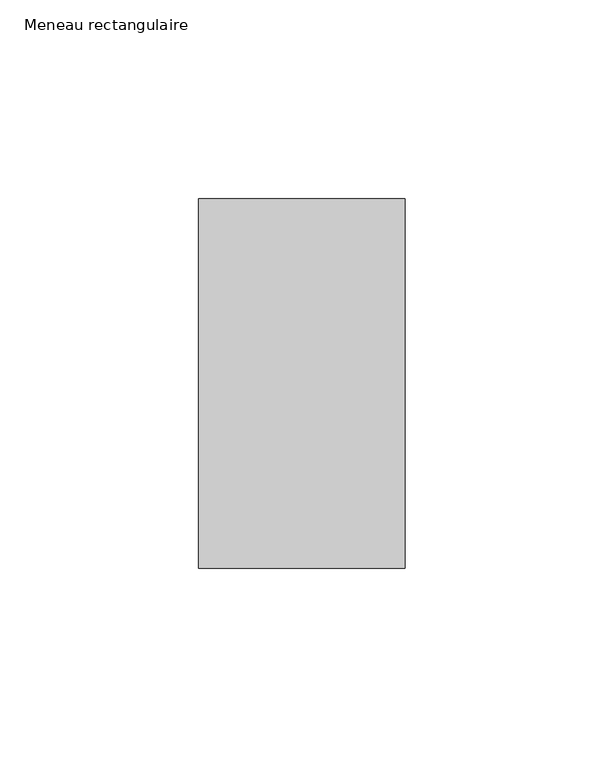
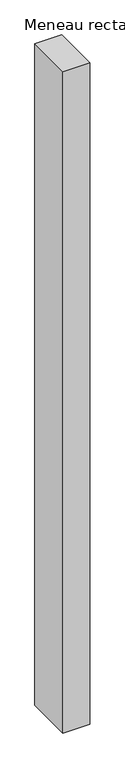
"""IFC4 building model written with IfcOpenShell, lengths in millimetres: member geometry, Meneau rectangulaire."""

import ifcopenshell
import ifcopenshell.guid

model = None  # the IFC model being written
_history = None  # IfcOwnerHistory: only IFC2X3 demands one
_inside = {}  # id of a spatial element -> (the spatial element, [elements in it])
_under = {}  # id of a project, library or spatial element -> (it, [spatial elements below it])
_declared = {}  # id of a project -> (the project, [libraries it declares])
_typed = {}  # id of a type object -> (the type object, [elements of that type])
_made_of = {}  # id of a material, layer set ... -> (it, [elements and type objects made of it])


def new_model(schema):
    """Start an empty IFC model of exactly this schema.

    Asked for "IFC4X3", IfcOpenShell would pick the latest addendum, in which some entities
    have other attributes; the version numbers below select the first issue.
    IFC2X3 requires an IfcOwnerHistory on every rooted entity: one is made here for all.
    """
    global model, _history
    if schema == "IFC4X3":
        model = ifcopenshell.file(schema_version=(4, 3, 0, 0))
    else:
        model = ifcopenshell.file(schema=schema)
    _inside.clear()
    _under.clear()
    _declared.clear()
    _typed.clear()
    _made_of.clear()
    _history = None
    if model.schema == "IFC2X3":
        org = make("IfcOrganization", Name="unknown")
        user = make(
            "IfcPersonAndOrganization",
            ThePerson=make("IfcPerson", FamilyName="unknown"),
            TheOrganization=org,
        )
        app = make(
            "IfcApplication",
            ApplicationDeveloper=org,
            Version="unknown",
            ApplicationFullName="unknown",
            ApplicationIdentifier="unknown",
        )
        _history = make(
            "IfcOwnerHistory",
            OwningUser=user,
            OwningApplication=app,
            ChangeAction="ADDED",
            CreationDate=0,
        )
    return model


def make(cls, **values):
    """One entity of the class cls with the attributes given. An attribute that is None is left unset."""
    return model.create_entity(
        cls, **{name: value for name, value in values.items() if value is not None}
    )


def rooted(cls, **values):
    """An entity with a GlobalId (a new one), such as an element, a storey or a relation."""
    return make(cls, GlobalId=ifcopenshell.guid.new(), OwnerHistory=_history, **values)


def si_unit(unit_type, name, prefix=None):
    """IfcSIUnit, for example si_unit("LENGTHUNIT", "METRE", prefix="MILLI")."""
    return make("IfcSIUnit", UnitType=unit_type, Prefix=prefix, Name=name)


def assignment(units):
    """IfcUnitAssignment: the units of a project."""
    return None if units is None else make("IfcUnitAssignment", Units=units)


def point(xyz):
    """IfcCartesianPoint."""
    return None if xyz is None else make("IfcCartesianPoint", Coordinates=xyz)


def direction(xyz):
    """IfcDirection."""
    return None if xyz is None else make("IfcDirection", DirectionRatios=xyz)


def frame(location, z_axis=None, x_axis=None):
    """IfcAxis2Placement3D, a coordinate frame: its origin and axes. An axis left out is left unset."""
    return make(
        "IfcAxis2Placement3D",
        Location=point(location),
        Axis=direction(z_axis),
        RefDirection=direction(x_axis),
    )


def origin():
    """The frame at (0, 0, 0) with its axes left unset."""
    return frame((0.0, 0.0, 0.0))


def place(relative_to, where):
    """IfcLocalPlacement: puts the frame where relative to a parent placement (None: the world)."""
    return make(
        "IfcLocalPlacement", PlacementRelTo=relative_to, RelativePlacement=where
    )


def context(
    kind, dimensions, precision=None, world=None, true_north=None, identifier=None
):
    """IfcGeometricRepresentationContext, for example the 3D "Model" context."""
    return make(
        "IfcGeometricRepresentationContext",
        ContextIdentifier=identifier,
        ContextType=kind,
        CoordinateSpaceDimension=dimensions,
        Precision=precision,
        WorldCoordinateSystem=world,
        TrueNorth=true_north,
    )


def project(units=None, contexts=None):
    """IfcProject with its units and contexts."""
    return rooted(
        "IfcProject",
        Name="project",
        RepresentationContexts=contexts,
        UnitsInContext=assignment(units),
    )


def spatial(cls, under=None, at=None, **own):
    """A site, building, storey or space (cls), placed at a placement, below another one or the project."""
    s = rooted(cls, ObjectPlacement=at, **own)
    if under is not None:
        _under.setdefault(under.id(), (under, []))[1].append(s)
    return s


def polyline(points):
    """IfcPolyline through the points."""
    return make("IfcPolyline", Points=[point(p) for p in points])


def outline(outer, holes=None, kind="AREA"):
    """IfcArbitraryClosedProfileDef: a profile drawn as a closed curve; with holes, ...WithVoids."""
    if holes is None:
        return make("IfcArbitraryClosedProfileDef", ProfileType=kind, OuterCurve=outer)
    return make(
        "IfcArbitraryProfileDefWithVoids",
        ProfileType=kind,
        OuterCurve=outer,
        InnerCurves=holes,
    )


def extrude(swept, where, along, depth):
    """IfcExtrudedAreaSolid: the profile swept, set in the frame where, extruded along a direction by depth."""
    return make(
        "IfcExtrudedAreaSolid",
        SweptArea=swept,
        Position=where,
        ExtrudedDirection=direction(along),
        Depth=depth,
    )


def shape(context_of_items, identifier, shape_type, items):
    """IfcShapeRepresentation: the items that make up one representation, for example the "Body"."""
    return make(
        "IfcShapeRepresentation",
        ContextOfItems=context_of_items,
        RepresentationIdentifier=identifier,
        RepresentationType=shape_type,
        Items=items,
    )


def source(mapping_origin, context_of_items, identifier, shape_type, items):
    """IfcRepresentationMap: a shape defined once, which mapped items show again and again."""
    return make(
        "IfcRepresentationMap",
        MappingOrigin=mapping_origin,
        MappedRepresentation=shape(context_of_items, identifier, shape_type, items),
    )


def transform(
    local_origin,
    x_axis=None,
    y_axis=None,
    z_axis=None,
    scale=None,
    scale2=None,
    scale3=None,
    uniform=True,
):
    """IfcCartesianTransformationOperator3D, or its non-uniform kind. x_axis, y_axis, z_axis: its Axis1, 2, 3."""
    if uniform:
        return make(
            "IfcCartesianTransformationOperator3D",
            Axis1=direction(x_axis),
            Axis2=direction(y_axis),
            LocalOrigin=point(local_origin),
            Scale=scale,
            Axis3=direction(z_axis),
        )
    return make(
        "IfcCartesianTransformationOperator3DnonUniform",
        Axis1=direction(x_axis),
        Axis2=direction(y_axis),
        LocalOrigin=point(local_origin),
        Scale=scale,
        Axis3=direction(z_axis),
        Scale2=scale2,
        Scale3=scale3,
    )


def mapped(mapping_source, mapping_target):
    """IfcMappedItem: shows the shape of a source again, moved by a transform."""
    return make(
        "IfcMappedItem", MappingSource=mapping_source, MappingTarget=mapping_target
    )


def made_of(thing, what):
    """Note that an element or type object is made of a material, layer set ...; save() writes the relation."""
    if what is not None:
        _made_of.setdefault(what.id(), (what, []))[1].append(thing)
    return thing


def element(
    cls,
    number,
    at=None,
    inside=None,
    cuts=None,
    type_object=None,
    material=None,
    context=None,
    identifier="Body",
    shape_type=None,
    held_by="IfcProductDefinitionShape",
    body=None,
    shapes=None,
    **own,
):
    """One element of the class cls, such as IfcWall. Its Tag is "e" and its number.

    at: its placement. inside: the storey or other place that contains it. cuts: it is an
    opening in that element (IfcRelVoidsElement). A single representation is given by context,
    identifier, shape_type and body (its items); several are given by shapes. held_by: the class
    of the entity that holds the representations. save() writes the other relations.
    """
    e = rooted(cls, Tag="e%d" % number, ObjectPlacement=at, **own)
    if body is not None:
        shapes = [shape(context, identifier, shape_type, body)]
    if shapes is not None:
        e.Representation = make(held_by, Representations=shapes)
    if inside is not None:
        _inside.setdefault(inside.id(), (inside, []))[1].append(e)
    if cuts is not None:
        rooted(
            "IfcRelVoidsElement", RelatingBuildingElement=cuts, RelatedOpeningElement=e
        )
    if type_object is not None:
        _typed.setdefault(type_object.id(), (type_object, []))[1].append(e)
    return made_of(e, material)


def aggregate(whole, parts):
    """IfcRelAggregates: a whole, such as a stair, and the parts it consists of."""
    return rooted("IfcRelAggregates", RelatingObject=whole, RelatedObjects=parts)


def save(model, path):
    """Write the relations noted so far, then the file.

    IfcRelAggregates (storeys below a building ...), IfcRelContainedInSpatialStructure (elements
    in a storey), IfcRelDefinesByType, IfcRelAssociatesMaterial and IfcRelDeclares: one each for
    every whole, place, type object, material and project.
    """
    for whole, parts in _under.values():
        aggregate(whole, parts)
    for where, things in _inside.values():
        rooted(
            "IfcRelContainedInSpatialStructure",
            RelatedElements=things,
            RelatingStructure=where,
        )
    for kind, things in _typed.values():
        rooted("IfcRelDefinesByType", RelatedObjects=things, RelatingType=kind)
    for what, things in _made_of.values():
        rooted("IfcRelAssociatesMaterial", RelatedObjects=things, RelatingMaterial=what)
    for by, libraries in _declared.values():
        rooted("IfcRelDeclares", RelatingContext=by, RelatedDefinitions=libraries)
    model.write(path)


def meneau_rectangulaire_5a4704d4(model_context):
    return source(origin(), model_context, "Body", "SweptSolid", [
        extrude(outline(polyline([(-52.0, 46.5), (0.0, 46.5), (0.0, -46.5), (-52.0, -46.5), (-52.0, 46.5)])), frame((0.0, 0.0, -1343.3333335), z_axis=(0.0, 0.0, 1.0), x_axis=(1.0, 0.0, 0.0)), (0.0, 0.0, 1.0), 1343.3333335),
    ])


if __name__ == "__main__":
    model = new_model("IFC4")
    model_context = context("Model", 3, world=origin())
    ifc_project = project(units=[si_unit("LENGTHUNIT", "METRE", prefix="MILLI")], contexts=[model_context])
    site = spatial("IfcSite", under=ifc_project)
    building = spatial("IfcBuilding", under=site)
    placement = place(None, origin())
    meneau_rectangulaire_shape = meneau_rectangulaire_5a4704d4(model_context)
    element("IfcMember", 1, ObjectType="Meneau rectangulaire", at=placement, inside=building, context=model_context, shape_type="MappedRepresentation", body=[
        mapped(meneau_rectangulaire_shape, transform((0.0, 0.0, 0.0), x_axis=(1.0, 0.0, 0.0), y_axis=(0.0, 1.0, 0.0), z_axis=(0.0, 0.0, 1.0))),
    ])
    save(model, "model.ifc")
